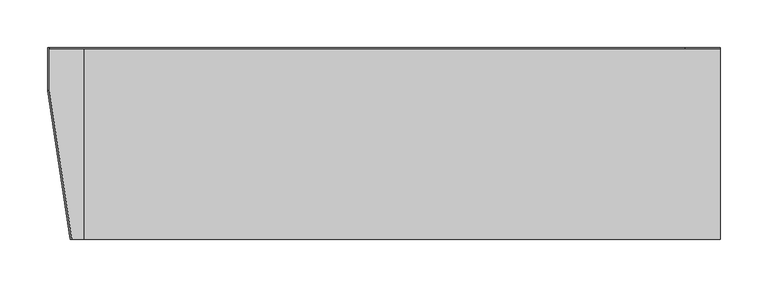
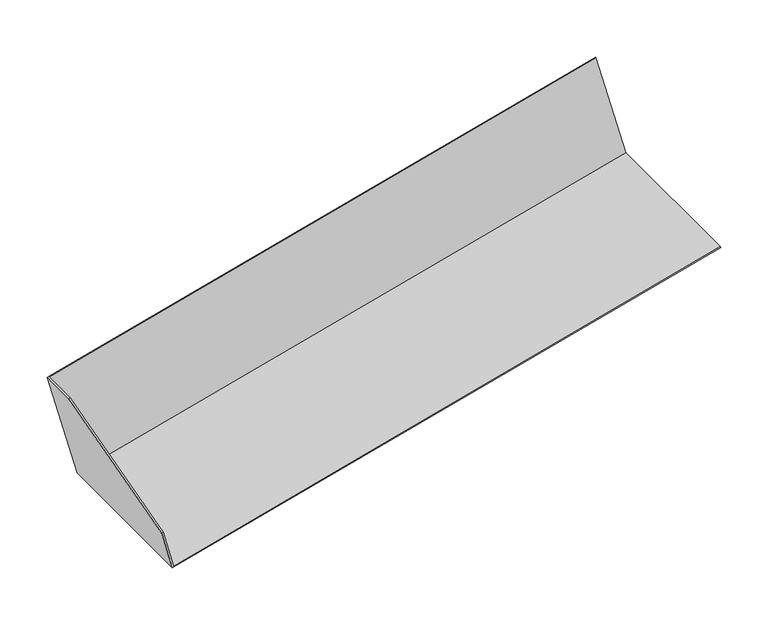
"""IFC4 building model written with IfcOpenShell, lengths in millimetres: proxy geometry."""

from ifc_helpers import new_model, si_unit, frame, origin, place, context, project, spatial, polyline, outline, extrude, source, transform, mapped, element, save


def generic_models_381c2b76(model_context):
    return source(origin(), model_context, "Body", "SweptSolid", [
        extrude(outline(polyline([(0.0, 0.0), (50.6372232, 0.0), (141.0, -155.70776), (141.0, -201.0), (0.0, -201.0), (0.0, 0.0)])), frame((33176.7581318, -12590.7251597, 3250.912136), z_axis=(0.9659258262890685, 0.0, 0.2588190451025197), x_axis=(-0.2588190451025197, 0.0, 0.9659258262890685)), (0.0, 0.0, 1.0), 1.7645355),
        extrude(outline(polyline([(-192.5, -2.8427894), (7.5, -2.8427894), (7.5, 137.1572106), (8.5, 137.1572106), (8.5, -3.8427894), (-192.5, -3.8427894), (-192.5, -2.8427894)])), frame((33177.4679551, -12398.2251597, 3255.0806809), z_axis=(0.9659258262890685, 0.0, 0.2588190451025197), x_axis=(0.0, 1.0, 0.0)), (0.0, 0.0, 1.0), 690.0),
    ])


if __name__ == "__main__":
    model = new_model("IFC4")
    model_context = context("Model", 3, world=origin())
    ifc_project = project(units=[si_unit("LENGTHUNIT", "METRE", prefix="MILLI")], contexts=[model_context])
    site = spatial("IfcSite", under=ifc_project)
    building = spatial("IfcBuilding", under=site)
    placement = place(None, origin())
    generic_models_shape = generic_models_381c2b76(model_context)
    element("IfcBuildingElementProxy", 1, Name="Generic Models", at=placement, inside=building, context=model_context, shape_type="MappedRepresentation", body=[
        mapped(generic_models_shape, transform((0.0, 0.0, 0.0), x_axis=(1.0, 0.0, 0.0), y_axis=(0.0, 1.0, 0.0), z_axis=(0.0, 0.0, 1.0))),
    ])
    save(model, "model.ifc")
